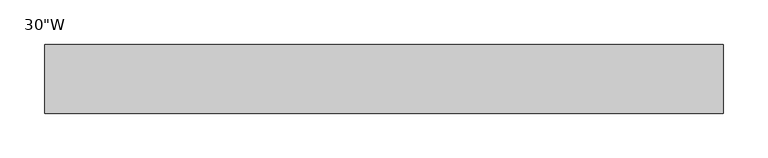
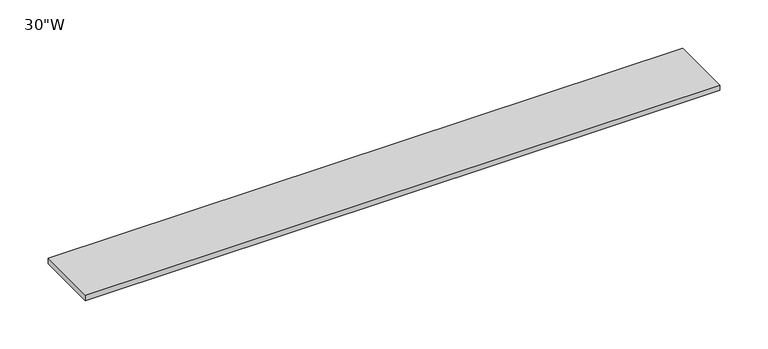
"""IFC4 building model written with IfcOpenShell, lengths in millimetres: furniture geometry."""

from ifc_helpers import new_model, si_unit, frame, origin, place, context, project, spatial, polyline, outline, extrude, source, transform, mapped, element, save


def furniture_aa6aaf5b(model_context):
    return source(origin(), model_context, "Body", "SweptSolid", [
        extrude(outline(polyline([(325.01205, 38.735), (325.01205, -38.735), (-436.98795, -38.735), (-436.98795, 38.735), (325.01205, 38.735)])), frame((0.0, 0.0, 870.966), z_axis=(0.0, 0.0, 1.0), x_axis=(1.0, 0.0, 0.0)), (0.0, 0.0, 1.0), 6.858),
    ])


if __name__ == "__main__":
    model = new_model("IFC4")
    model_context = context("Model", 3, world=origin())
    ifc_project = project(units=[si_unit("LENGTHUNIT", "METRE", prefix="MILLI")], contexts=[model_context])
    site = spatial("IfcSite", under=ifc_project)
    building = spatial("IfcBuilding", under=site)
    placement = place(None, origin())
    furniture_shape = furniture_aa6aaf5b(model_context)
    element("IfcFurniture", 1, ObjectType="30\"W", at=placement, inside=building, context=model_context, shape_type="MappedRepresentation", body=[
        mapped(furniture_shape, transform((0.0, 0.0, 0.0), x_axis=(1.0, 0.0, 0.0), y_axis=(0.0, 1.0, 0.0), z_axis=(0.0, 0.0, 1.0))),
    ])
    save(model, "model.ifc")
